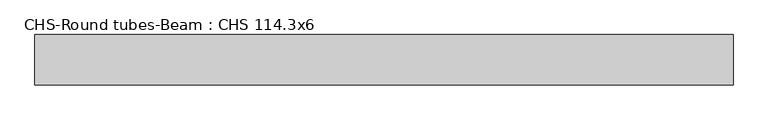
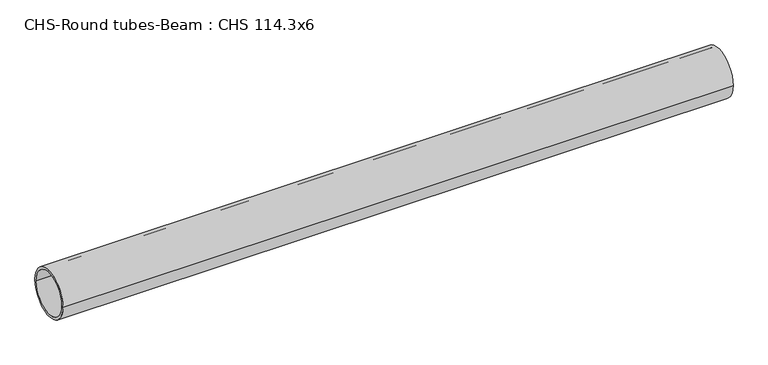
"""IFC4 building model written with IfcOpenShell, lengths in millimetres: beam geometry, CHS-Round tubes-Beam : CHS 114.3x6."""

from ifc_helpers import new_model, si_unit, point, frame, origin, origin_2d, place, context, project, spatial, circle_curve, trimmed, segment, composite_curve, outline, extrude, source, transform, mapped, element, save


def chs_round_tubes_beam_chs_114_3x6_1478b41b(model_context):
    return source(origin(), model_context, "Body", "SweptSolid", [
        extrude(outline(composite_curve([segment(trimmed(circle_curve(origin_2d(), 57.15), [point((57.15, 0.0))], [point((-57.15, 0.0))], False, "CARTESIAN"), True, "CONTINUOUS"), segment(trimmed(circle_curve(origin_2d(), 57.15), [point((-57.15, 0.0))], [point((57.15, 0.0))], False, "CARTESIAN"), True, "CONTINUOUS")], self_intersect=False), holes=[composite_curve([segment(trimmed(circle_curve(origin_2d(), 51.15), [point((51.15, 0.0))], [point((-51.15, 0.0))], True, "CARTESIAN"), True, "CONTINUOUS"), segment(trimmed(circle_curve(origin_2d(), 51.15), [point((-51.15, 0.0))], [point((51.15, 0.0))], True, "CARTESIAN"), True, "CONTINUOUS")], self_intersect=False)]), frame((-782.6731263, 0.0, 0.0), z_axis=(1.0, 0.0, 0.0), x_axis=(0.0, 1.0, 0.0)), (0.0, 0.0, 1.0), 1578.0497856),
    ])


if __name__ == "__main__":
    model = new_model("IFC4")
    model_context = context("Model", 3, world=origin())
    ifc_project = project(units=[si_unit("LENGTHUNIT", "METRE", prefix="MILLI")], contexts=[model_context])
    site = spatial("IfcSite", under=ifc_project)
    building = spatial("IfcBuilding", under=site)
    placement = place(None, origin())
    chs_round_tubes_beam_chs_114_3x6_shape = chs_round_tubes_beam_chs_114_3x6_1478b41b(model_context)
    element("IfcBeam", 1, ObjectType="CHS-Round tubes-Beam : CHS 114.3x6", at=placement, inside=building, context=model_context, shape_type="MappedRepresentation", body=[
        mapped(chs_round_tubes_beam_chs_114_3x6_shape, transform((0.0, 0.0, 0.0), x_axis=(1.0, 0.0, 0.0), y_axis=(0.0, 1.0, 0.0), z_axis=(0.0, 0.0, 1.0))),
    ])
    save(model, "model.ifc")
